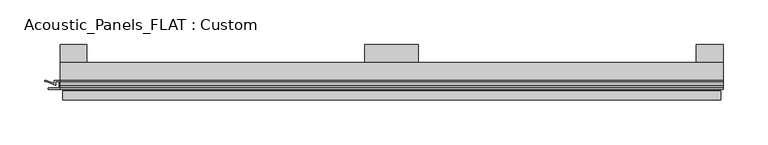
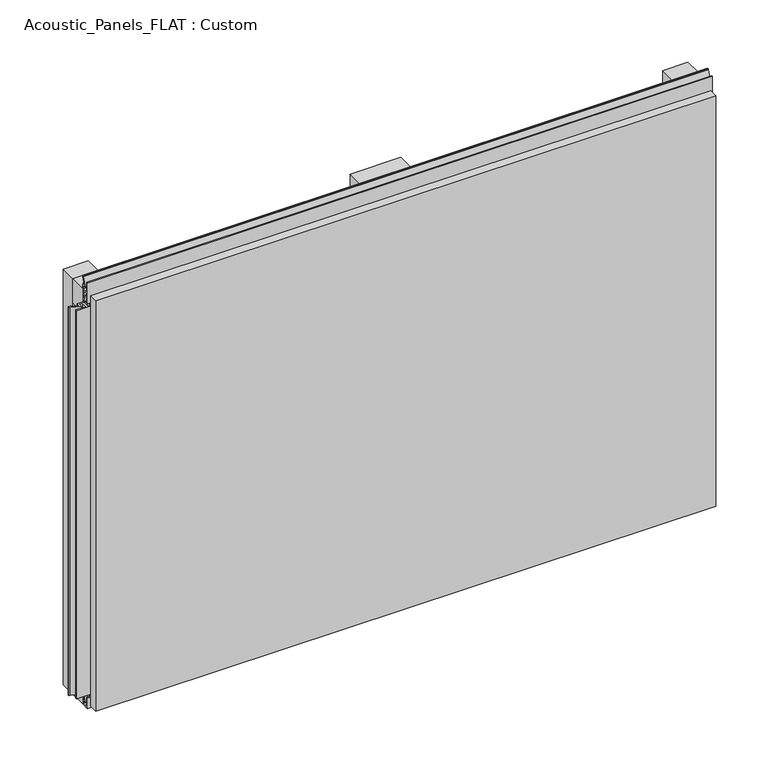
"""IFC4 building model written with IfcOpenShell, lengths in millimetres: plate geometry, Acoustic_Panels_FLAT : Custom."""

from ifc_helpers import new_model, si_unit, frame, origin, origin_with_axes, place, context, project, spatial, polyline, outline, extrude, faceted_brep, source, transform, mapped, element, save


def acoustic_panels_flat_custom_b9ae4588(model_context):
    return source(origin(), model_context, "Body", "SolidModel", [
        extrude(outline(polyline([(-370.0, -40.0), (-370.0, -20.0), (370.0, -20.0), (370.0, -40.0), (-370.0, -40.0)])), frame((0.0, 0.0, 490.0), z_axis=(0.0, 0.0, 1.0), x_axis=(1.0, 0.0, 0.0)), (0.0, 0.0, 1.0), 30.0),
        extrude(outline(polyline([(-370.0, -40.0), (-370.0, -20.0), (370.0, -20.0), (370.0, -40.0), (-370.0, -40.0)])), origin_with_axes(), (0.0, 0.0, 1.0), 30.0),
        extrude(outline(polyline([(340.0, 0.0), (370.0, 0.0), (370.0, -20.0), (340.0, -20.0), (340.0, 0.0)])), origin_with_axes(), (0.0, 0.0, 1.0), 520.0),
        extrude(outline(polyline([(30.0, 0.0), (30.0, -20.0), (-30.0, -20.0), (-30.0, 0.0), (30.0, 0.0)])), origin_with_axes(), (0.0, 0.0, 1.0), 520.0),
        extrude(outline(polyline([(-340.0, 0.0), (-340.0, -20.0), (-370.0, -20.0), (-370.0, 0.0), (-340.0, 0.0)])), origin_with_axes(), (0.0, 0.0, 1.0), 520.0),
        extrude(outline(polyline([(-40.0, 6.299084), (-40.0, 0.0), (-50.1, 0.0), (-50.1, 13.4156807), (-48.7, 13.4156807), (-48.7, 1.4156807), (-41.4, 1.4156807), (-41.4, 4.899084), (-45.5140545, 4.899084), (-41.4553267, 15.5703394), (-41.4553267, 22.991548), (-40.0553267, 22.991548), (-40.0553267, 15.3558599), (-43.5, 6.299084), (-40.0, 6.299084)])), frame((-370.0, 0.0, 0.0), z_axis=(1.0, 0.0, 0.0), x_axis=(0.0, 1.0, 0.0)), (0.0, 0.0, 1.0), 740.0),
        extrude(outline(polyline([(-370.899084, -48.7), (-370.899084, -41.4), (-374.899084, -41.4), (-374.899084, -45.5140545), (-385.5703394, -41.4553267), (-386.9558599, -41.4553267), (-386.9558599, -40.0553267), (-385.3558599, -40.0553267), (-376.299084, -43.5), (-376.299084, -40.0), (-363.700916, -40.0), (-363.700916, -43.5), (-354.6441401, -40.0553267), (-353.0441401, -40.0553267), (-353.0441401, -41.4553267), (-354.4296606, -41.4553267), (-365.100916, -45.5140545), (-365.100916, -41.4), (-369.100916, -41.4), (-369.100916, -48.7), (-357.100916, -48.7), (-357.100916, -50.1), (-382.899084, -50.1), (-382.899084, -48.7), (-370.899084, -48.7)])), frame((0.0, 0.0, 16.9558599), z_axis=(0.0, 0.0, 1.0), x_axis=(1.0, 0.0, 0.0)), (0.0, 0.0, 1.0), 486.0882802),
        extrude(outline(polyline([(-48.7, 520.899084), (-41.4, 520.899084), (-41.4, 524.899084), (-45.5140545, 524.899084), (-41.4553267, 535.5703394), (-41.4553267, 536.9558599), (-40.0553267, 536.9558599), (-40.0553267, 535.3558599), (-43.5, 526.299084), (-40.0, 526.299084), (-40.0, 513.700916), (-43.5, 513.700916), (-40.0553267, 504.6441401), (-40.0553267, 503.0441401), (-41.4553267, 503.0441401), (-41.4553267, 504.4296606), (-45.5140545, 515.100916), (-41.4, 515.100916), (-41.4, 519.100916), (-48.7, 519.100916), (-48.7, 507.100916), (-50.1, 507.100916), (-50.1, 532.899084), (-48.7, 532.899084), (-48.7, 520.899084)])), frame((-370.0, 0.0, 0.0), z_axis=(1.0, 0.0, 0.0), x_axis=(0.0, 1.0, 0.0)), (0.0, 0.0, 1.0), 740.0),
        faceted_brep([(367.0, -45.9, 517.0), (-367.0, -45.9, 517.0), (-367.0, -48.7, 517.0), (367.0, -48.7, 517.0), (-367.0, -61.9, 517.0), (367.0, -61.9, 517.0), (367.0, -51.9, 517.0), (-367.0, -51.9, 517.0), (-367.0, -45.9, 3.0), (367.0, -45.9, 3.0), (367.0, -48.7, 3.0), (-367.0, -48.7, 3.0), (367.0, -61.9, 3.0), (-367.0, -61.9, 3.0), (-367.0, -51.9, 3.0), (367.0, -51.9, 3.0), (355.0, -51.9, 505.0), (355.0, -51.9, 15.0), (355.0, -48.7, 15.0), (355.0, -48.7, 505.0), (-355.0, -51.9, 15.0), (-355.0, -48.7, 15.0), (-355.0, -51.9, 505.0), (-355.0, -48.7, 505.0)], [[[0, 1, 2, 3]], [[4, 5, 6, 7]], [[8, 9, 10, 11]], [[12, 13, 14, 15]], [[1, 0, 9, 8]], [[1, 8, 11, 2]], [[13, 4, 7, 14]], [[5, 4, 13, 12]], [[9, 0, 3, 10]], [[5, 12, 15, 6]], [[16, 17, 18, 19]], [[18, 17, 20, 21]], [[21, 20, 22, 23]], [[16, 19, 23, 22]], [[7, 6, 15, 14], [17, 16, 22, 20]], [[3, 2, 11, 10], [19, 18, 21, 23]]]),
    ])


if __name__ == "__main__":
    model = new_model("IFC4")
    model_context = context("Model", 3, world=origin())
    ifc_project = project(units=[si_unit("LENGTHUNIT", "METRE", prefix="MILLI")], contexts=[model_context])
    site = spatial("IfcSite", under=ifc_project)
    building = spatial("IfcBuilding", under=site)
    placement = place(None, origin())
    acoustic_panels_flat_custom_shape = acoustic_panels_flat_custom_b9ae4588(model_context)
    element("IfcPlate", 1, ObjectType="Acoustic_Panels_FLAT : Custom", at=placement, inside=building, context=model_context, shape_type="MappedRepresentation", body=[
        mapped(acoustic_panels_flat_custom_shape, transform((0.0, 0.0, 0.0), x_axis=(1.0, 0.0, 0.0), y_axis=(0.0, 1.0, 0.0), z_axis=(0.0, 0.0, 1.0))),
    ])
    save(model, "model.ifc")
